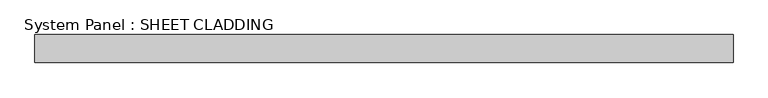
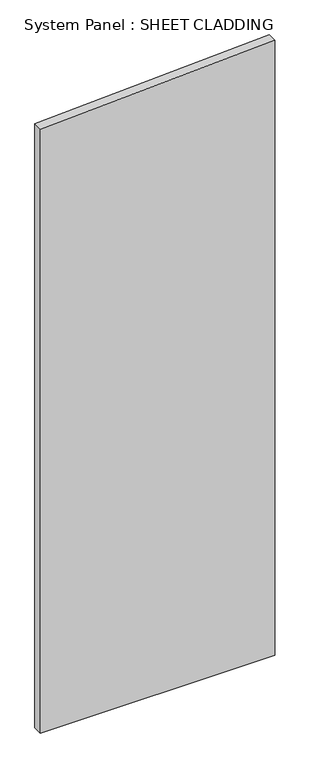
"""IFC4 building model written with IfcOpenShell, lengths in millimetres: plate geometry, System Panel : SHEET CLADDING."""

import ifcopenshell
import ifcopenshell.guid

model = None  # the IFC model being written
_history = None  # IfcOwnerHistory: only IFC2X3 demands one
_inside = {}  # id of a spatial element -> (the spatial element, [elements in it])
_under = {}  # id of a project, library or spatial element -> (it, [spatial elements below it])
_declared = {}  # id of a project -> (the project, [libraries it declares])
_typed = {}  # id of a type object -> (the type object, [elements of that type])
_made_of = {}  # id of a material, layer set ... -> (it, [elements and type objects made of it])


def new_model(schema):
    """Start an empty IFC model of exactly this schema.

    Asked for "IFC4X3", IfcOpenShell would pick the latest addendum, in which some entities
    have other attributes; the version numbers below select the first issue.
    IFC2X3 requires an IfcOwnerHistory on every rooted entity: one is made here for all.
    """
    global model, _history
    if schema == "IFC4X3":
        model = ifcopenshell.file(schema_version=(4, 3, 0, 0))
    else:
        model = ifcopenshell.file(schema=schema)
    _inside.clear()
    _under.clear()
    _declared.clear()
    _typed.clear()
    _made_of.clear()
    _history = None
    if model.schema == "IFC2X3":
        org = make("IfcOrganization", Name="unknown")
        user = make(
            "IfcPersonAndOrganization",
            ThePerson=make("IfcPerson", FamilyName="unknown"),
            TheOrganization=org,
        )
        app = make(
            "IfcApplication",
            ApplicationDeveloper=org,
            Version="unknown",
            ApplicationFullName="unknown",
            ApplicationIdentifier="unknown",
        )
        _history = make(
            "IfcOwnerHistory",
            OwningUser=user,
            OwningApplication=app,
            ChangeAction="ADDED",
            CreationDate=0,
        )
    return model


def make(cls, **values):
    """One entity of the class cls with the attributes given. An attribute that is None is left unset."""
    return model.create_entity(
        cls, **{name: value for name, value in values.items() if value is not None}
    )


def rooted(cls, **values):
    """An entity with a GlobalId (a new one), such as an element, a storey or a relation."""
    return make(cls, GlobalId=ifcopenshell.guid.new(), OwnerHistory=_history, **values)


def si_unit(unit_type, name, prefix=None):
    """IfcSIUnit, for example si_unit("LENGTHUNIT", "METRE", prefix="MILLI")."""
    return make("IfcSIUnit", UnitType=unit_type, Prefix=prefix, Name=name)


def assignment(units):
    """IfcUnitAssignment: the units of a project."""
    return None if units is None else make("IfcUnitAssignment", Units=units)


def point(xyz):
    """IfcCartesianPoint."""
    return None if xyz is None else make("IfcCartesianPoint", Coordinates=xyz)


def direction(xyz):
    """IfcDirection."""
    return None if xyz is None else make("IfcDirection", DirectionRatios=xyz)


def frame(location, z_axis=None, x_axis=None):
    """IfcAxis2Placement3D, a coordinate frame: its origin and axes. An axis left out is left unset."""
    return make(
        "IfcAxis2Placement3D",
        Location=point(location),
        Axis=direction(z_axis),
        RefDirection=direction(x_axis),
    )


def origin():
    """The frame at (0, 0, 0) with its axes left unset."""
    return frame((0.0, 0.0, 0.0))


def place(relative_to, where):
    """IfcLocalPlacement: puts the frame where relative to a parent placement (None: the world)."""
    return make(
        "IfcLocalPlacement", PlacementRelTo=relative_to, RelativePlacement=where
    )


def context(
    kind, dimensions, precision=None, world=None, true_north=None, identifier=None
):
    """IfcGeometricRepresentationContext, for example the 3D "Model" context."""
    return make(
        "IfcGeometricRepresentationContext",
        ContextIdentifier=identifier,
        ContextType=kind,
        CoordinateSpaceDimension=dimensions,
        Precision=precision,
        WorldCoordinateSystem=world,
        TrueNorth=true_north,
    )


def project(units=None, contexts=None):
    """IfcProject with its units and contexts."""
    return rooted(
        "IfcProject",
        Name="project",
        RepresentationContexts=contexts,
        UnitsInContext=assignment(units),
    )


def spatial(cls, under=None, at=None, **own):
    """A site, building, storey or space (cls), placed at a placement, below another one or the project."""
    s = rooted(cls, ObjectPlacement=at, **own)
    if under is not None:
        _under.setdefault(under.id(), (under, []))[1].append(s)
    return s


def polyline(points):
    """IfcPolyline through the points."""
    return make("IfcPolyline", Points=[point(p) for p in points])


def outline(outer, holes=None, kind="AREA"):
    """IfcArbitraryClosedProfileDef: a profile drawn as a closed curve; with holes, ...WithVoids."""
    if holes is None:
        return make("IfcArbitraryClosedProfileDef", ProfileType=kind, OuterCurve=outer)
    return make(
        "IfcArbitraryProfileDefWithVoids",
        ProfileType=kind,
        OuterCurve=outer,
        InnerCurves=holes,
    )


def extrude(swept, where, along, depth):
    """IfcExtrudedAreaSolid: the profile swept, set in the frame where, extruded along a direction by depth."""
    return make(
        "IfcExtrudedAreaSolid",
        SweptArea=swept,
        Position=where,
        ExtrudedDirection=direction(along),
        Depth=depth,
    )


def shape(context_of_items, identifier, shape_type, items):
    """IfcShapeRepresentation: the items that make up one representation, for example the "Body"."""
    return make(
        "IfcShapeRepresentation",
        ContextOfItems=context_of_items,
        RepresentationIdentifier=identifier,
        RepresentationType=shape_type,
        Items=items,
    )


def source(mapping_origin, context_of_items, identifier, shape_type, items):
    """IfcRepresentationMap: a shape defined once, which mapped items show again and again."""
    return make(
        "IfcRepresentationMap",
        MappingOrigin=mapping_origin,
        MappedRepresentation=shape(context_of_items, identifier, shape_type, items),
    )


def transform(
    local_origin,
    x_axis=None,
    y_axis=None,
    z_axis=None,
    scale=None,
    scale2=None,
    scale3=None,
    uniform=True,
):
    """IfcCartesianTransformationOperator3D, or its non-uniform kind. x_axis, y_axis, z_axis: its Axis1, 2, 3."""
    if uniform:
        return make(
            "IfcCartesianTransformationOperator3D",
            Axis1=direction(x_axis),
            Axis2=direction(y_axis),
            LocalOrigin=point(local_origin),
            Scale=scale,
            Axis3=direction(z_axis),
        )
    return make(
        "IfcCartesianTransformationOperator3DnonUniform",
        Axis1=direction(x_axis),
        Axis2=direction(y_axis),
        LocalOrigin=point(local_origin),
        Scale=scale,
        Axis3=direction(z_axis),
        Scale2=scale2,
        Scale3=scale3,
    )


def mapped(mapping_source, mapping_target):
    """IfcMappedItem: shows the shape of a source again, moved by a transform."""
    return make(
        "IfcMappedItem", MappingSource=mapping_source, MappingTarget=mapping_target
    )


def made_of(thing, what):
    """Note that an element or type object is made of a material, layer set ...; save() writes the relation."""
    if what is not None:
        _made_of.setdefault(what.id(), (what, []))[1].append(thing)
    return thing


def element(
    cls,
    number,
    at=None,
    inside=None,
    cuts=None,
    type_object=None,
    material=None,
    context=None,
    identifier="Body",
    shape_type=None,
    held_by="IfcProductDefinitionShape",
    body=None,
    shapes=None,
    **own,
):
    """One element of the class cls, such as IfcWall. Its Tag is "e" and its number.

    at: its placement. inside: the storey or other place that contains it. cuts: it is an
    opening in that element (IfcRelVoidsElement). A single representation is given by context,
    identifier, shape_type and body (its items); several are given by shapes. held_by: the class
    of the entity that holds the representations. save() writes the other relations.
    """
    e = rooted(cls, Tag="e%d" % number, ObjectPlacement=at, **own)
    if body is not None:
        shapes = [shape(context, identifier, shape_type, body)]
    if shapes is not None:
        e.Representation = make(held_by, Representations=shapes)
    if inside is not None:
        _inside.setdefault(inside.id(), (inside, []))[1].append(e)
    if cuts is not None:
        rooted(
            "IfcRelVoidsElement", RelatingBuildingElement=cuts, RelatedOpeningElement=e
        )
    if type_object is not None:
        _typed.setdefault(type_object.id(), (type_object, []))[1].append(e)
    return made_of(e, material)


def aggregate(whole, parts):
    """IfcRelAggregates: a whole, such as a stair, and the parts it consists of."""
    return rooted("IfcRelAggregates", RelatingObject=whole, RelatedObjects=parts)


def save(model, path):
    """Write the relations noted so far, then the file.

    IfcRelAggregates (storeys below a building ...), IfcRelContainedInSpatialStructure (elements
    in a storey), IfcRelDefinesByType, IfcRelAssociatesMaterial and IfcRelDeclares: one each for
    every whole, place, type object, material and project.
    """
    for whole, parts in _under.values():
        aggregate(whole, parts)
    for where, things in _inside.values():
        rooted(
            "IfcRelContainedInSpatialStructure",
            RelatedElements=things,
            RelatingStructure=where,
        )
    for kind, things in _typed.values():
        rooted("IfcRelDefinesByType", RelatedObjects=things, RelatingType=kind)
    for what, things in _made_of.values():
        rooted("IfcRelAssociatesMaterial", RelatedObjects=things, RelatingMaterial=what)
    for by, libraries in _declared.values():
        rooted("IfcRelDeclares", RelatingContext=by, RelatedDefinitions=libraries)
    model.write(path)


def system_panel_sheet_cladding_7f382958(model_context):
    return source(origin(), model_context, "Body", "SweptSolid", [
        extrude(outline(polyline([(0.0, -750.0), (0.0, 750.0), (4160.1, 750.0), (4085.1, -750.0), (0.0, -750.0)])), frame((0.0, -49.5, 0.0), z_axis=(0.0, 1.0, 0.0), x_axis=(0.0, 0.0, 1.0)), (0.0, 0.0, 1.0), 60.0),
    ])


if __name__ == "__main__":
    model = new_model("IFC4")
    model_context = context("Model", 3, world=origin())
    ifc_project = project(units=[si_unit("LENGTHUNIT", "METRE", prefix="MILLI")], contexts=[model_context])
    site = spatial("IfcSite", under=ifc_project)
    building = spatial("IfcBuilding", under=site)
    placement = place(None, origin())
    system_panel_sheet_cladding_shape = system_panel_sheet_cladding_7f382958(model_context)
    element("IfcPlate", 1, ObjectType="System Panel : SHEET CLADDING", at=placement, inside=building, context=model_context, shape_type="MappedRepresentation", body=[
        mapped(system_panel_sheet_cladding_shape, transform((0.0, 0.0, 0.0), x_axis=(1.0, 0.0, 0.0), y_axis=(0.0, 1.0, 0.0), z_axis=(0.0, 0.0, 1.0))),
    ])
    save(model, "model.ifc")
